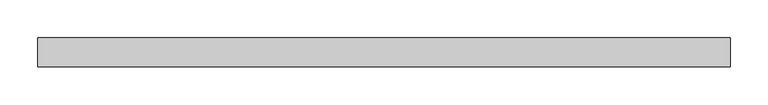
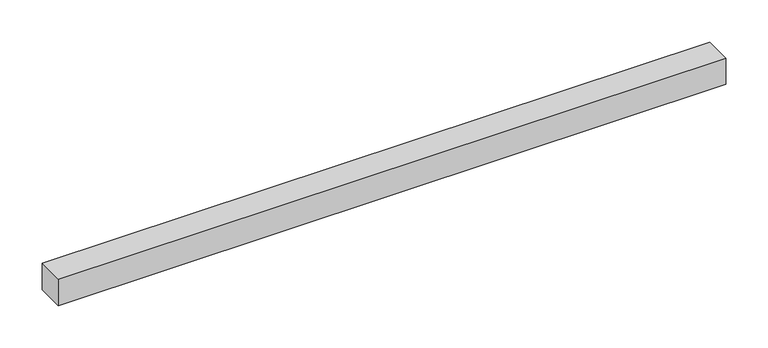
"""IFC4 building model written with IfcOpenShell, lengths in millimetres: beam geometry."""

from ifc_helpers import new_model, si_unit, frame, origin, place, context, project, spatial, polyline, outline, extrude, source, transform, mapped, element, save


def beam_8650fd3b(model_context):
    return source(origin(), model_context, "Body", "SweptSolid", [
        extrude(outline(polyline([(457.2, -19.05), (-457.2, -19.05), (-457.2, 19.05), (457.2, 19.05), (457.2, -19.05)])), frame((0.0, 0.0, -19.05), z_axis=(0.0, 0.0, 1.0), x_axis=(1.0, 0.0, 0.0)), (0.0, 0.0, 1.0), 38.1),
    ])


if __name__ == "__main__":
    model = new_model("IFC4")
    model_context = context("Model", 3, world=origin())
    ifc_project = project(units=[si_unit("LENGTHUNIT", "METRE", prefix="MILLI")], contexts=[model_context])
    site = spatial("IfcSite", under=ifc_project)
    building = spatial("IfcBuilding", under=site)
    placement = place(None, origin())
    beam_shape = beam_8650fd3b(model_context)
    element("IfcBeam", 1, at=placement, inside=building, context=model_context, shape_type="MappedRepresentation", body=[
        mapped(beam_shape, transform((0.0, 0.0, 0.0), x_axis=(1.0, 0.0, 0.0), y_axis=(0.0, 1.0, 0.0), z_axis=(0.0, 0.0, 1.0))),
    ])
    save(model, "model.ifc")
